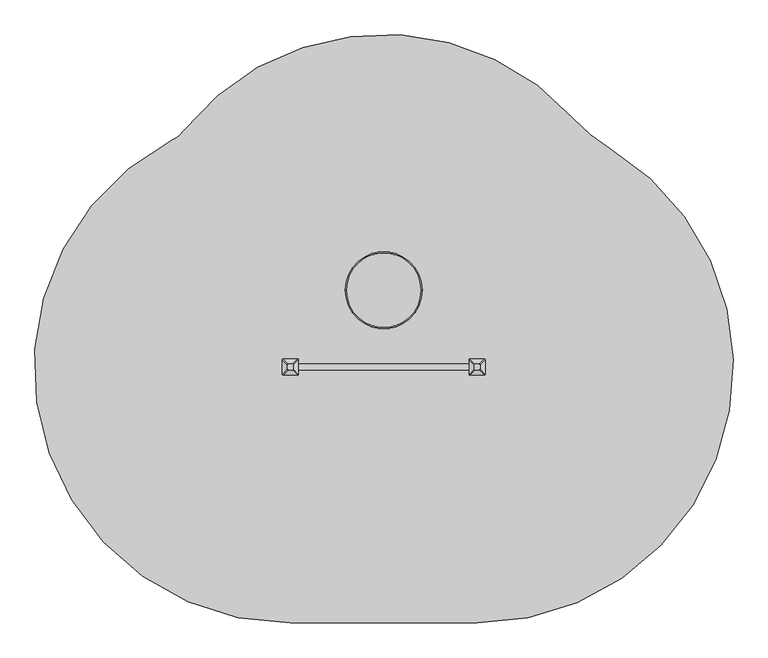
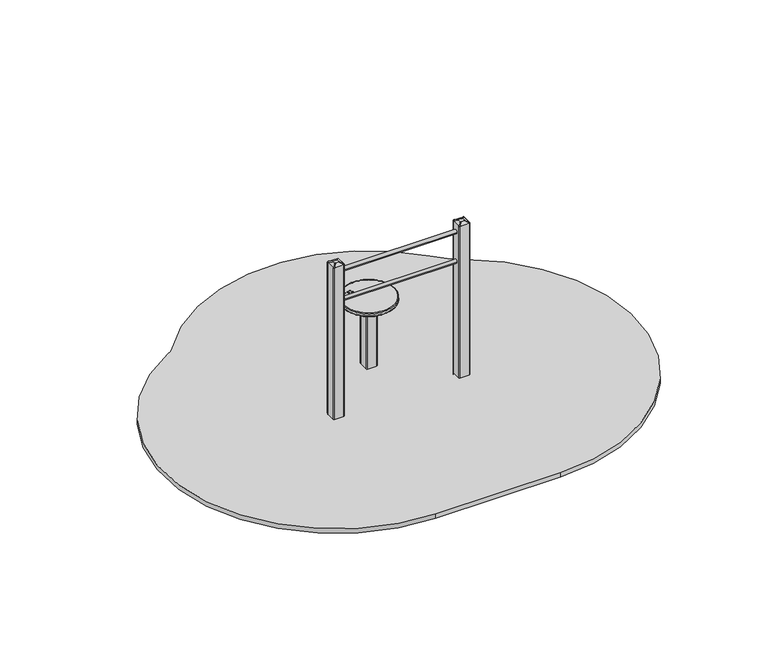
"""IFC4 building model written with IfcOpenShell, lengths in millimetres: furniture geometry."""

from ifc_helpers import new_model, si_unit, point, frame, frame_2d, origin, place, context, project, spatial, polyline, circle_curve, ellipse_curve, trimmed, segment, composite_curve, outline, extrude, source, transform, mapped, element, save
from ifc_brep_helpers import plane_surface, cylinder_surface, revolved_surface, extruded_surface, advanced_brep


def furniture_86e5dbf2(model_context):
    return source(origin(), model_context, "Body", "SolidModel", [
        advanced_brep(
        [(-225.0, 655.0, 624.9971179), (225.0, 655.0, 624.9971179), (225.0, 655.0, 604.9971179), (-225.0, 655.0, 604.9971179), (-220.0, 655.0, 629.9971179), (220.0, 655.0, 629.9971179), (220.0, 655.0, 599.9971179), (-220.0, 655.0, 599.9971179)],
        [
            (0, 1, circle_curve(frame((0.0, 655.0, 624.9971179), z_axis=(0.0, 0.0, -1.0), x_axis=(1.0, 0.0, 0.0)), 225.0)),
            (1, 2),
            (2, 3, circle_curve(frame((0.0, 655.0, 604.9971179), z_axis=(0.0, 0.0, 1.0), x_axis=(1.0, 0.0, 0.0)), 225.0)),
            (3, 0),
            (1, 0, circle_curve(frame((0.0, 655.0, 624.9971179), z_axis=(0.0, 0.0, -1.0), x_axis=(1.0, 0.0, 0.0)), 225.0)),
            (3, 2, circle_curve(frame((0.0, 655.0, 604.9971179), z_axis=(0.0, 0.0, 1.0), x_axis=(1.0, 0.0, 0.0)), 225.0)),
            (0, 4, circle_curve(frame((-220.0, 655.0, 624.9971179), z_axis=(0.0, 1.0, 0.0), x_axis=(1.0, 0.0, 0.0)), 5.0)),
            (4, 5, circle_curve(frame((0.0, 655.0, 629.9971179), z_axis=(0.0, 0.0, -1.0), x_axis=(1.0, 0.0, 0.0)), 220.0)),
            (5, 1, circle_curve(frame((220.0, 655.0, 624.9971179), z_axis=(0.0, 1.0, 0.0), x_axis=(-1.0, 0.0, 0.0)), 5.0)),
            (5, 4, circle_curve(frame((0.0, 655.0, 629.9971179), z_axis=(0.0, 0.0, -1.0), x_axis=(1.0, 0.0, 0.0)), 220.0)),
            (2, 6, circle_curve(frame((220.0, 655.0, 604.9971179), z_axis=(0.0, 1.0, 0.0), x_axis=(-1.0, 0.0, 0.0)), 5.0)),
            (6, 7, circle_curve(frame((0.0, 655.0, 599.9971179), z_axis=(0.0, 0.0, 1.0), x_axis=(1.0, 0.0, 0.0)), 220.0)),
            (7, 3, circle_curve(frame((-220.0, 655.0, 604.9971179), z_axis=(0.0, 1.0, 0.0), x_axis=(1.0, 0.0, 0.0)), 5.0)),
            (7, 6, circle_curve(frame((0.0, 655.0, 599.9971179), z_axis=(0.0, 0.0, 1.0), x_axis=(1.0, 0.0, 0.0)), 220.0)),
        ],
        [
            cylinder_surface(frame((0.0, 655.0, 366.1859757), z_axis=(0.0, 0.0, 1.0), x_axis=(1.0, 0.0, 0.0)), 225.0),
            revolved_surface(trimmed(ellipse_curve(frame((220.0, 655.0, 624.9971179), z_axis=(0.0, -1.0, 0.0), x_axis=(-1.0, 0.0, 0.0)), 5.0, 5.0), [point((225.0, 655.0, 624.9971179))], [point((220.0, 655.0, 629.9971179))], True, "CARTESIAN"), (0.0, 655.0, 366.1859757), (0.0, 0.0, 1.0)),
            revolved_surface(trimmed(ellipse_curve(frame((220.0, 655.0, 604.9971179), z_axis=(0.0, -1.0, 0.0), x_axis=(-1.0, 0.0, 0.0)), 5.0, 5.0), [point((220.0, 655.0, 599.9971179))], [point((225.0, 655.0, 604.9971179))], True, "CARTESIAN"), (0.0, 655.0, 366.1859757), (0.0, 0.0, 1.0)),
            plane_surface(frame((220.0, 655.0, 629.9971179), z_axis=(0.0, 0.0, 1.0), x_axis=(0.0, 1.0, 0.0))),
            plane_surface(frame((220.0, 655.0, 599.9971179), z_axis=(0.0, 0.0, -1.0), x_axis=(0.0, -1.0, 0.0))),
        ],
        [
            (0, [[1, 2, 3, 4]]),
            (0, [[-2, 5, -4, 6]]),
            (1, [[-1, 7, 8, 9]]),
            (1, [[-5, -9, 10, -7]]),
            (2, [[-3, 11, 12, 13]]),
            (2, [[-6, -13, 14, -11]]),
            (3, [[-8, -10]]),
            (4, [[-12, -14]]),
        ],
    ),
        extrude(outline(composite_curve([segment(trimmed(circle_curve(frame_2d((-109.945789, 765.9640076)), 57.5047727), [point((-167.4505617, 765.9640076))], [point((-52.4410163, 765.9640076))], False, "CARTESIAN"), True, "CONTINUOUS"), segment(trimmed(circle_curve(frame_2d((-109.945789, 765.9640076)), 57.5047727), [point((-52.4410163, 765.9640076))], [point((-167.4505617, 765.9640076))], False, "CARTESIAN"), True, "CONTINUOUS")], self_intersect=False), holes=[composite_curve([segment(trimmed(circle_curve(frame_2d((-128.3138267, 780.3419659)), 0.4540453), [point((-127.9437797, 780.6050673))], [point((-128.3138267, 779.8879206))], False, "CARTESIAN"), True, "CONTINUOUS"), segment(polyline([(-128.3138267, 779.8879206), (-144.7091929, 779.8879206)]), True, "CONTINUOUS"), segment(trimmed(circle_curve(frame_2d((-144.7091929, 775.1179024)), 4.7700182), [point((-144.7091929, 779.8879206))], [point((-144.7091929, 770.3478842))], True, "CARTESIAN"), True, "CONTINUOUS"), segment(polyline([(-144.7091929, 770.3478842), (-135.5327662, 770.3478842)]), True, "CONTINUOUS"), segment(trimmed(circle_curve(frame_2d((-135.5327662, 766.6555765)), 3.6923077), [point((-135.5327662, 770.3478842))], [point((-132.0631319, 765.3927329))], False, "CARTESIAN"), True, "CONTINUOUS"), segment(polyline([(-132.0631319, 765.3927329), (-139.1805561, 745.8377707)]), True, "CONTINUOUS"), segment(trimmed(circle_curve(frame_2d((-133.5869898, 746.2870818)), 5.611583), [point((-139.1805561, 745.8377707))], [point((-128.3138267, 744.3678074))], True, "CARTESIAN"), True, "CONTINUOUS"), segment(polyline([(-128.3138267, 744.3678074), (-125.0241589, 753.4060953)]), True, "CONTINUOUS"), segment(trimmed(circle_curve(frame_2d((-122.7753651, 752.5876013)), 2.3931164), [point((-125.0241589, 753.4060953))], [point((-120.5265713, 753.4060953))], False, "CARTESIAN"), True, "CONTINUOUS"), segment(polyline([(-120.5265713, 753.4060953), (-117.2369036, 744.3678074)]), True, "CONTINUOUS"), segment(trimmed(circle_curve(frame_2d((-111.9637405, 746.2870818)), 5.611583), [point((-117.2369036, 744.3678074))], [point((-106.3701742, 745.8377707))], True, "CARTESIAN"), True, "CONTINUOUS"), segment(polyline([(-106.3701742, 745.8377707), (-113.4875984, 765.3927329)]), True, "CONTINUOUS"), segment(trimmed(circle_curve(frame_2d((-110.0179641, 766.6555765)), 3.6923077), [point((-113.4875984, 765.3927329))], [point((-110.0179641, 770.3478842))], False, "CARTESIAN"), True, "CONTINUOUS"), segment(polyline([(-110.0179641, 770.3478842), (-100.8415374, 770.3478842)]), True, "CONTINUOUS"), segment(trimmed(circle_curve(frame_2d((-95.1870348, 777.807878)), 9.3608176), [point((-100.8415374, 770.3478842))], [point((-104.3138267, 779.8879206))], False, "CARTESIAN"), True, "CONTINUOUS"), segment(polyline([(-104.3138267, 779.8879206), (-117.2369036, 779.8879206)]), True, "CONTINUOUS"), segment(trimmed(circle_curve(frame_2d((-117.2369036, 780.5008204)), 0.6128997), [point((-117.2369036, 779.8879206))], [point((-117.7684156, 780.8060107))], False, "CARTESIAN"), True, "CONTINUOUS"), segment(trimmed(circle_curve(frame_2d((-123.0503583, 790.5425042)), 11.0769231), [point((-117.7684156, 780.8060107))], [point((-127.9437797, 780.6050673))], True, "CARTESIAN"), True, "CONTINUOUS")], self_intersect=False), composite_curve([segment(trimmed(circle_curve(frame_2d((-96.6356807, 770.6730779)), 1.0108717), [point((-95.8884051, 771.3538427))], [point((-96.5143941, 769.6695087))], False, "CARTESIAN"), True, "CONTINUOUS"), segment(polyline([(-96.5143941, 769.6695087), (-109.1313316, 769.6695087)]), True, "CONTINUOUS"), segment(trimmed(circle_curve(frame_2d((-106.4880266, 765.054124)), 5.318725), [point((-109.1313316, 769.6695087))], [point((-109.1313316, 760.4387394))], True, "CARTESIAN"), True, "CONTINUOUS"), segment(polyline([(-109.1313316, 760.4387394), (-98.0544085, 760.4387394), (-106.2628919, 737.8861165)]), True, "CONTINUOUS"), segment(trimmed(circle_curve(frame_2d((-93.9418916, 757.6601945)), 23.2985238), [point((-106.2628919, 737.8861165))], [point((-90.6697931, 734.5925856))], True, "CARTESIAN"), True, "CONTINUOUS"), segment(trimmed(circle_curve(frame_2d((-87.3976946, 757.6601945)), 23.2985238), [point((-90.6697931, 734.5925856))], [point((-75.0766943, 737.8861165))], True, "CARTESIAN"), True, "CONTINUOUS"), segment(polyline([(-75.0766943, 737.8861165), (-83.2851777, 760.4387394), (-72.2082546, 760.4387394)]), True, "CONTINUOUS"), segment(trimmed(circle_curve(frame_2d((-74.8515595, 765.054124)), 5.318725), [point((-72.2082546, 760.4387394))], [point((-72.2082546, 769.6695087))], True, "CARTESIAN"), True, "CONTINUOUS"), segment(polyline([(-72.2082546, 769.6695087), (-86.7183206, 769.6695087)]), True, "CONTINUOUS"), segment(trimmed(circle_curve(frame_2d((-86.2247816, 770.2877508)), 0.7910778), [point((-86.7183206, 769.6695087))], [point((-86.7183206, 770.9059929))], False, "CARTESIAN"), True, "CONTINUOUS"), segment(trimmed(circle_curve(frame_2d((-90.8116144, 781.1988628)), 11.0769231), [point((-86.7183206, 770.9059929))], [point((-95.8884051, 771.3538427))], True, "CARTESIAN"), True, "CONTINUOUS")], self_intersect=False)]), frame((0.0, 0.0, 628.9971179), z_axis=(0.0, 0.0, 1.0), x_axis=(1.0, 0.0, 0.0)), (0.0, 0.0, 1.0), 1.0),
        extrude(outline(composite_curve([segment(trimmed(circle_curve(frame_2d((42.5, 612.5)), 5.0), [point((47.5, 612.5))], [point((42.5, 607.5))], False, "CARTESIAN"), True, "CONTINUOUS"), segment(polyline([(42.5, 607.5), (-42.5, 607.5)]), True, "CONTINUOUS"), segment(trimmed(circle_curve(frame_2d((-42.5, 612.5)), 5.0), [point((-42.5, 607.5))], [point((-47.5, 612.5))], False, "CARTESIAN"), True, "CONTINUOUS"), segment(polyline([(-47.5, 612.5), (-47.5, 697.5)]), True, "CONTINUOUS"), segment(trimmed(circle_curve(frame_2d((-42.5, 697.5)), 5.0), [point((-47.5, 697.5))], [point((-42.5, 702.5))], False, "CARTESIAN"), True, "CONTINUOUS"), segment(polyline([(-42.5, 702.5), (42.5, 702.5)]), True, "CONTINUOUS"), segment(trimmed(circle_curve(frame_2d((42.5, 697.5)), 5.0), [point((42.5, 702.5))], [point((47.5, 697.5))], False, "CARTESIAN"), True, "CONTINUOUS"), segment(polyline([(47.5, 697.5), (47.5, 612.5)]), True, "CONTINUOUS")], self_intersect=False)), frame((0.0, 0.0, -600.0), z_axis=(0.0, 0.0, 1.0), x_axis=(1.0, 0.0, 0.0)), (0.0, 0.0, 1.0), 500.0),
        advanced_brep(
        [(90.0, 805.0, -600.0), (150.0, 745.0, -600.0), (150.0, 565.0, -600.0), (90.0, 505.0, -600.0), (-90.0, 505.0, -600.0), (-150.0, 565.0, -600.0), (-150.0, 745.0, -600.0), (-90.0, 805.0, -600.0), (-90.0, 805.0, -460.0), (90.0, 805.0, -460.0), (-150.0, 565.0, -460.0), (-150.0, 745.0, -460.0), (90.0, 505.0, -460.0), (-90.0, 505.0, -460.0), (150.0, 745.0, -460.0), (150.0, 565.0, -460.0), (-12.2959549, 727.6989403, -250.0), (-72.2959549, 667.6989403, -250.0), (-72.2959549, 642.3010597, -250.0), (-12.2959549, 582.3010597, -250.0), (12.2959549, 582.3010597, -250.0), (72.2959549, 642.3010597, -250.0), (72.2959549, 667.6989403, -250.0), (12.2959549, 727.6989403, -250.0)],
        [
            (0, 1, circle_curve(frame((90.0, 745.0, -600.0), z_axis=(0.0, 0.0, -1.0), x_axis=(1.0, 0.0, 0.0)), 60.0)),
            (1, 2),
            (2, 3, circle_curve(frame((90.0, 565.0, -600.0), z_axis=(0.0, 0.0, -1.0), x_axis=(1.0, 0.0, 0.0)), 60.0)),
            (3, 4),
            (4, 5, circle_curve(frame((-90.0, 565.0, -600.0), z_axis=(0.0, 0.0, -1.0), x_axis=(1.0, 0.0, 0.0)), 60.0)),
            (5, 6),
            (6, 7, circle_curve(frame((-90.0, 745.0, -600.0), z_axis=(0.0, 0.0, -1.0), x_axis=(1.0, 0.0, 0.0)), 60.0)),
            (7, 0),
            (7, 8),
            (8, 9),
            (9, 0),
            (5, 10),
            (10, 11),
            (11, 6),
            (3, 12),
            (12, 13),
            (13, 4),
            (1, 14),
            (14, 15),
            (15, 2),
            (16, 17, circle_curve(frame((-12.2959549, 667.6989403, -250.0), z_axis=(0.0, 0.0, 1.0), x_axis=(1.0, 0.0, 0.0)), 60.0)),
            (17, 18),
            (18, 19, circle_curve(frame((-12.2959549, 642.3010597, -250.0), z_axis=(0.0, 0.0, 1.0), x_axis=(1.0, 0.0, 0.0)), 60.0)),
            (19, 20),
            (20, 21, circle_curve(frame((12.2959549, 642.3010597, -250.0), z_axis=(0.0, 0.0, 1.0), x_axis=(1.0, 0.0, 0.0)), 60.0)),
            (21, 22),
            (22, 23, circle_curve(frame((12.2959549, 667.6989403, -250.0), z_axis=(0.0, 0.0, 1.0), x_axis=(1.0, 0.0, 0.0)), 60.0)),
            (23, 16),
            (17, 11),
            (10, 18),
            (19, 13),
            (12, 20),
            (21, 15),
            (14, 22),
            (23, 9),
            (8, 16),
            (11, 8, circle_curve(frame((-90.0, 745.0, -460.0), z_axis=(0.0, 0.0, -1.0), x_axis=(1.0, 0.0, 0.0)), 60.0)),
            (13, 10, circle_curve(frame((-90.0, 565.0, -460.0), z_axis=(0.0, 0.0, -1.0), x_axis=(1.0, 0.0, 0.0)), 60.0)),
            (15, 12, circle_curve(frame((90.0, 565.0, -460.0), z_axis=(0.0, 0.0, -1.0), x_axis=(1.0, 0.0, 0.0)), 60.0)),
            (9, 14, circle_curve(frame((90.0, 745.0, -460.0), z_axis=(0.0, 0.0, -1.0), x_axis=(1.0, 0.0, 0.0)), 60.0)),
        ],
        [
            plane_surface(frame((-176.6329682, 805.0, -600.0), z_axis=(0.0, 0.0, -1.0), x_axis=(1.0, 0.0, 0.0))),
            plane_surface(frame((90.0, 805.0, -460.0), z_axis=(0.0, 1.0, 0.0), x_axis=(0.0, 0.0, -1.0))),
            plane_surface(frame((-150.0, 745.0, -460.0), z_axis=(-1.0, 0.0, 0.0), x_axis=(0.0, 0.0, -1.0))),
            plane_surface(frame((-90.0, 505.0, -460.0), z_axis=(0.0, -1.0, 0.0), x_axis=(0.0, 0.0, -1.0))),
            plane_surface(frame((150.0, 565.0, -460.0), z_axis=(1.0, 0.0, 0.0), x_axis=(0.0, 0.0, -1.0))),
            plane_surface(frame((0.0, 655.0, -250.0), z_axis=(0.0, 0.0, 1.0), x_axis=(-1.0, 0.0, 0.0))),
            plane_surface(frame((-150.0, 655.0, -460.0), z_axis=(-0.9378559633153523, 0.0, 0.3470247715564883), x_axis=(0.0, -1.0, 0.0))),
            plane_surface(frame((0.0, 505.0, -460.0), z_axis=(0.0, -0.9384407279810882, 0.3454402988452927), x_axis=(1.0, 0.0, 0.0))),
            plane_surface(frame((150.0, 655.0, -460.0), z_axis=(0.9378559633153524, 0.0, 0.34702477155648764), x_axis=(0.0, 1.0, 0.0))),
            plane_surface(frame((0.0, 805.0, -460.0), z_axis=(0.0, 0.9384407279810884, 0.3454402988452924), x_axis=(-1.0, 0.0, 0.0))),
            cylinder_surface(frame((-90.0, 745.0, -600.0), z_axis=(0.0, 0.0, 1.0), x_axis=(1.0, 0.0, 0.0)), 60.0),
            cylinder_surface(frame((-90.0, 565.0, -600.0), z_axis=(0.0, 0.0, 1.0), x_axis=(1.0, 0.0, 0.0)), 60.0),
            cylinder_surface(frame((90.0, 565.0, -600.0), z_axis=(0.0, 0.0, 1.0), x_axis=(1.0, 0.0, 0.0)), 60.0),
            cylinder_surface(frame((90.0, 745.0, -600.0), z_axis=(0.0, 0.0, 1.0), x_axis=(1.0, 0.0, 0.0)), 60.0),
            extruded_surface(trimmed(circle_curve(frame((-90.0, 745.0, -460.0), z_axis=(0.0, 0.0, 1.0), x_axis=(1.0, 0.0, 0.0)), 60.0), [point((-90.0, 805.0, -460.0))], [point((-150.0, 745.0, -460.0))], True, "CARTESIAN"), (77.7040451, -77.3010597, 210.0), 236.8826132404947),
            extruded_surface(trimmed(circle_curve(frame((90.0, 745.0, -460.0), z_axis=(0.0, 0.0, 1.0), x_axis=(1.0, 0.0, 0.0)), 60.0), [point((150.0, 745.0, -460.0))], [point((90.0, 805.0, -460.0))], True, "CARTESIAN"), (-77.7040451, -77.3010597, 210.0), 236.8826132404947),
            extruded_surface(trimmed(circle_curve(frame((-90.0, 565.0, -460.0), z_axis=(0.0, 0.0, 1.0), x_axis=(1.0, 0.0, 0.0)), 60.0), [point((-150.0, 565.0, -460.0))], [point((-90.0, 505.0, -460.0))], True, "CARTESIAN"), (77.7040451, 77.3010597, 210.0), 236.8826132404947),
            extruded_surface(trimmed(circle_curve(frame((90.0, 565.0, -460.0), z_axis=(0.0, 0.0, 1.0), x_axis=(1.0, 0.0, 0.0)), 60.0), [point((90.0, 505.0, -460.0))], [point((150.0, 565.0, -460.0))], True, "CARTESIAN"), (-77.7040451, 77.3010597, 210.0), 236.8826132404947),
        ],
        [
            (0, [[1, 2, 3, 4, 5, 6, 7, 8]]),
            (1, [[-8, 9, 10, 11]]),
            (2, [[-6, 12, 13, 14]]),
            (3, [[-4, 15, 16, 17]]),
            (4, [[-2, 18, 19, 20]]),
            (5, [[21, 22, 23, 24, 25, 26, 27, 28]]),
            (6, [[-22, 29, -13, 30]]),
            (7, [[-24, 31, -16, 32]]),
            (8, [[-26, 33, -19, 34]]),
            (9, [[-28, 35, -10, 36]]),
            (10, [[-7, -14, 37, -9]]),
            (11, [[-5, -17, 38, -12]]),
            (12, [[-3, -20, 39, -15]]),
            (13, [[-1, -11, 40, -18]]),
            (14, [[-21, -36, -37, -29]]),
            (15, [[-27, -34, -40, -35]]),
            (16, [[-23, -30, -38, -31]]),
            (17, [[-25, -32, -39, -33]]),
        ],
    ),
        advanced_brep(
        [(564.5, 192.5, 1415.0), (564.5, 217.5, 1415.0), (559.5, 222.5, 1415.0), (534.5, 222.5, 1415.0), (529.5, 217.5, 1415.0), (529.5, 192.5, 1415.0), (534.5, 187.5, 1415.0), (559.5, 187.5, 1415.0), (594.5, 162.5, 1400.0), (589.5, 157.5, 1400.0), (504.5, 157.5, 1400.0), (499.5, 162.5, 1400.0), (499.5, 247.5, 1400.0), (504.5, 252.5, 1400.0), (589.5, 252.5, 1400.0), (594.5, 247.5, 1400.0)],
        [
            (0, 1),
            (1, 2, circle_curve(frame((559.5, 217.5, 1415.0), z_axis=(0.0, 0.0, 1.0), x_axis=(1.0, 0.0, 0.0)), 5.0)),
            (2, 3),
            (3, 4, circle_curve(frame((534.5, 217.5, 1415.0), z_axis=(0.0, 0.0, 1.0), x_axis=(1.0, 0.0, 0.0)), 5.0)),
            (4, 5),
            (5, 6, circle_curve(frame((534.5, 192.5, 1415.0), z_axis=(0.0, 0.0, 1.0), x_axis=(1.0, 0.0, 0.0)), 5.0)),
            (6, 7),
            (7, 0, circle_curve(frame((559.5, 192.5, 1415.0), z_axis=(0.0, 0.0, 1.0), x_axis=(1.0, 0.0, 0.0)), 5.0)),
            (8, 9, circle_curve(frame((589.5, 162.5, 1400.0), z_axis=(0.0, 0.0, -1.0), x_axis=(1.0, 0.0, 0.0)), 5.0)),
            (9, 10),
            (10, 11, circle_curve(frame((504.5, 162.5, 1400.0), z_axis=(0.0, 0.0, -1.0), x_axis=(1.0, 0.0, 0.0)), 5.0)),
            (11, 12),
            (12, 13, circle_curve(frame((504.5, 247.5, 1400.0), z_axis=(0.0, 0.0, -1.0), x_axis=(1.0, 0.0, 0.0)), 5.0)),
            (13, 14),
            (14, 15, circle_curve(frame((589.5, 247.5, 1400.0), z_axis=(0.0, 0.0, -1.0), x_axis=(1.0, 0.0, 0.0)), 5.0)),
            (15, 8),
            (15, 1),
            (0, 8),
            (14, 2),
            (13, 3),
            (12, 4),
            (11, 5),
            (10, 6),
            (9, 7),
        ],
        [
            plane_surface(frame((547.0, 205.0, 1415.0), z_axis=(0.0, 0.0, 1.0), x_axis=(-1.0, 0.0, 0.0))),
            plane_surface(frame((547.0, 205.0, 1400.0), z_axis=(0.0, 0.0, -1.0), x_axis=(-1.0, 0.0, 0.0))),
            plane_surface(frame((594.5, 205.0, 1400.0), z_axis=(0.447213595499958, 0.0, 0.894427190999916), x_axis=(0.0, 1.0, 0.0))),
            extruded_surface(trimmed(circle_curve(frame((589.5, 247.5, 1400.0), z_axis=(0.0, 0.0, 1.0), x_axis=(1.0, 0.0, 0.0)), 5.0), [point((594.5, 247.5, 1400.0))], [point((589.5, 252.5, 1400.0))], True, "CARTESIAN"), (-30.0, -30.0, 15.0), 45.0),
            plane_surface(frame((547.0, 252.5, 1400.0), z_axis=(0.0, 0.447213595499958, 0.894427190999916), x_axis=(-1.0, 0.0, 0.0))),
            extruded_surface(trimmed(circle_curve(frame((504.5, 247.5, 1400.0), z_axis=(0.0, 0.0, 1.0), x_axis=(1.0, 0.0, 0.0)), 5.0), [point((504.5, 252.5, 1400.0))], [point((499.5, 247.5, 1400.0))], True, "CARTESIAN"), (30.0, -30.0, 15.0), 45.0),
            plane_surface(frame((499.5, 205.0, 1400.0), z_axis=(-0.447213595499958, 0.0, 0.894427190999916), x_axis=(0.0, -1.0, 0.0))),
            extruded_surface(trimmed(circle_curve(frame((504.5, 162.5, 1400.0), z_axis=(0.0, 0.0, 1.0), x_axis=(1.0, 0.0, 0.0)), 5.0), [point((499.5, 162.5, 1400.0))], [point((504.5, 157.5, 1400.0))], True, "CARTESIAN"), (30.0, 30.0, 15.0), 45.0),
            plane_surface(frame((547.0, 157.5, 1400.0), z_axis=(0.0, -0.447213595499958, 0.894427190999916), x_axis=(1.0, 0.0, 0.0))),
            extruded_surface(trimmed(circle_curve(frame((589.5, 162.5, 1400.0), z_axis=(0.0, 0.0, 1.0), x_axis=(1.0, 0.0, 0.0)), 5.0), [point((589.5, 157.5, 1400.0))], [point((594.5, 162.5, 1400.0))], True, "CARTESIAN"), (-30.0, 30.0, 15.0), 45.0),
        ],
        [
            (0, [[1, 2, 3, 4, 5, 6, 7, 8]]),
            (1, [[9, 10, 11, 12, 13, 14, 15, 16]]),
            (2, [[-16, 17, -1, 18]]),
            (3, [[-15, 19, -2, -17]]),
            (4, [[-14, 20, -3, -19]]),
            (5, [[-13, 21, -4, -20]]),
            (6, [[-12, 22, -5, -21]]),
            (7, [[-11, 23, -6, -22]]),
            (8, [[-10, 24, -7, -23]]),
            (9, [[-9, -18, -8, -24]]),
        ],
    ),
        advanced_brep(
        [(-529.5, 192.5, 1415.0), (-529.5, 217.5, 1415.0), (-534.5, 222.5, 1415.0), (-559.5, 222.5, 1415.0), (-564.5, 217.5, 1415.0), (-564.5, 192.5, 1415.0), (-559.5, 187.5, 1415.0), (-534.5, 187.5, 1415.0), (-499.5, 162.5, 1400.0), (-504.5, 157.5, 1400.0), (-589.5, 157.5, 1400.0), (-594.5, 162.5, 1400.0), (-594.5, 247.5, 1400.0), (-589.5, 252.5, 1400.0), (-504.5, 252.5, 1400.0), (-499.5, 247.5, 1400.0)],
        [
            (0, 1),
            (1, 2, circle_curve(frame((-534.5, 217.5, 1415.0), z_axis=(0.0, 0.0, 1.0), x_axis=(1.0, 0.0, 0.0)), 5.0)),
            (2, 3),
            (3, 4, circle_curve(frame((-559.5, 217.5, 1415.0), z_axis=(0.0, 0.0, 1.0), x_axis=(1.0, 0.0, 0.0)), 5.0)),
            (4, 5),
            (5, 6, circle_curve(frame((-559.5, 192.5, 1415.0), z_axis=(0.0, 0.0, 1.0), x_axis=(1.0, 0.0, 0.0)), 5.0)),
            (6, 7),
            (7, 0, circle_curve(frame((-534.5, 192.5, 1415.0), z_axis=(0.0, 0.0, 1.0), x_axis=(1.0, 0.0, 0.0)), 5.0)),
            (8, 9, circle_curve(frame((-504.5, 162.5, 1400.0), z_axis=(0.0, 0.0, -1.0), x_axis=(1.0, 0.0, 0.0)), 5.0)),
            (9, 10),
            (10, 11, circle_curve(frame((-589.5, 162.5, 1400.0), z_axis=(0.0, 0.0, -1.0), x_axis=(1.0, 0.0, 0.0)), 5.0)),
            (11, 12),
            (12, 13, circle_curve(frame((-589.5, 247.5, 1400.0), z_axis=(0.0, 0.0, -1.0), x_axis=(1.0, 0.0, 0.0)), 5.0)),
            (13, 14),
            (14, 15, circle_curve(frame((-504.5, 247.5, 1400.0), z_axis=(0.0, 0.0, -1.0), x_axis=(1.0, 0.0, 0.0)), 5.0)),
            (15, 8),
            (15, 1),
            (0, 8),
            (14, 2),
            (13, 3),
            (12, 4),
            (11, 5),
            (10, 6),
            (9, 7),
        ],
        [
            plane_surface(frame((-547.0, 205.0, 1415.0), z_axis=(0.0, 0.0, 1.0), x_axis=(-1.0, 0.0, 0.0))),
            plane_surface(frame((-547.0, 205.0, 1400.0), z_axis=(0.0, 0.0, -1.0), x_axis=(-1.0, 0.0, 0.0))),
            plane_surface(frame((-499.5, 205.0, 1400.0), z_axis=(0.447213595499958, 0.0, 0.894427190999916), x_axis=(0.0, 1.0, 0.0))),
            extruded_surface(trimmed(circle_curve(frame((-504.5, 247.5, 1400.0), z_axis=(0.0, 0.0, 1.0), x_axis=(1.0, 0.0, 0.0)), 5.0), [point((-499.5, 247.5, 1400.0))], [point((-504.5, 252.5, 1400.0))], True, "CARTESIAN"), (-30.0, -30.0, 15.0), 45.0),
            plane_surface(frame((-547.0, 252.5, 1400.0), z_axis=(0.0, 0.447213595499958, 0.894427190999916), x_axis=(-1.0, 0.0, 0.0))),
            extruded_surface(trimmed(circle_curve(frame((-589.5, 247.5, 1400.0), z_axis=(0.0, 0.0, 1.0), x_axis=(1.0, 0.0, 0.0)), 5.0), [point((-589.5, 252.5, 1400.0))], [point((-594.5, 247.5, 1400.0))], True, "CARTESIAN"), (30.0, -30.0, 15.0), 45.0),
            plane_surface(frame((-594.5, 205.0, 1400.0), z_axis=(-0.447213595499958, 0.0, 0.894427190999916), x_axis=(0.0, -1.0, 0.0))),
            extruded_surface(trimmed(circle_curve(frame((-589.5, 162.5, 1400.0), z_axis=(0.0, 0.0, 1.0), x_axis=(1.0, 0.0, 0.0)), 5.0), [point((-594.5, 162.5, 1400.0))], [point((-589.5, 157.5, 1400.0))], True, "CARTESIAN"), (30.0, 30.0, 15.0), 45.0),
            plane_surface(frame((-547.0, 157.5, 1400.0), z_axis=(0.0, -0.447213595499958, 0.894427190999916), x_axis=(1.0, 0.0, 0.0))),
            extruded_surface(trimmed(circle_curve(frame((-504.5, 162.5, 1400.0), z_axis=(0.0, 0.0, 1.0), x_axis=(1.0, 0.0, 0.0)), 5.0), [point((-504.5, 157.5, 1400.0))], [point((-499.5, 162.5, 1400.0))], True, "CARTESIAN"), (-30.0, 30.0, 15.0), 45.0),
        ],
        [
            (0, [[1, 2, 3, 4, 5, 6, 7, 8]]),
            (1, [[9, 10, 11, 12, 13, 14, 15, 16]]),
            (2, [[-16, 17, -1, 18]]),
            (3, [[-15, 19, -2, -17]]),
            (4, [[-14, 20, -3, -19]]),
            (5, [[-13, 21, -4, -20]]),
            (6, [[-12, 22, -5, -21]]),
            (7, [[-11, 23, -6, -22]]),
            (8, [[-10, 24, -7, -23]]),
            (9, [[-9, -18, -8, -24]]),
        ],
    ),
        extrude(outline(composite_curve([segment(trimmed(circle_curve(frame_2d((589.5, 162.5)), 5.0), [point((594.5, 162.5))], [point((589.5, 157.5))], False, "CARTESIAN"), True, "CONTINUOUS"), segment(polyline([(589.5, 157.5), (504.5, 157.5)]), True, "CONTINUOUS"), segment(trimmed(circle_curve(frame_2d((504.5, 162.5)), 5.0), [point((504.5, 157.5))], [point((499.5, 162.5))], False, "CARTESIAN"), True, "CONTINUOUS"), segment(polyline([(499.5, 162.5), (499.5, 247.5)]), True, "CONTINUOUS"), segment(trimmed(circle_curve(frame_2d((504.5, 247.5)), 5.0), [point((499.5, 247.5))], [point((504.5, 252.5))], False, "CARTESIAN"), True, "CONTINUOUS"), segment(polyline([(504.5, 252.5), (589.5, 252.5)]), True, "CONTINUOUS"), segment(trimmed(circle_curve(frame_2d((589.5, 247.5)), 5.0), [point((589.5, 252.5))], [point((594.5, 247.5))], False, "CARTESIAN"), True, "CONTINUOUS"), segment(polyline([(594.5, 247.5), (594.5, 162.5)]), True, "CONTINUOUS")], self_intersect=False)), frame((0.0, 0.0, -600.0), z_axis=(0.0, 0.0, 1.0), x_axis=(1.0, 0.0, 0.0)), (0.0, 0.0, 1.0), 500.0),
        advanced_brep(
        [(637.0, 355.0, -600.0), (697.0, 295.0, -600.0), (697.0, 115.0, -600.0), (637.0, 55.0, -600.0), (457.0, 55.0, -600.0), (397.0, 115.0, -600.0), (397.0, 295.0, -600.0), (457.0, 355.0, -600.0), (457.0, 355.0, -460.0), (637.0, 355.0, -460.0), (397.0, 115.0, -460.0), (397.0, 295.0, -460.0), (637.0, 55.0, -460.0), (457.0, 55.0, -460.0), (697.0, 295.0, -460.0), (697.0, 115.0, -460.0), (534.7040451, 277.6989403, -250.0), (474.7040451, 217.6989403, -250.0), (474.7040451, 192.3010597, -250.0), (534.7040451, 132.3010597, -250.0), (559.2959549, 132.3010597, -250.0), (619.2959549, 192.3010597, -250.0), (619.2959549, 217.6989403, -250.0), (559.2959549, 277.6989403, -250.0)],
        [
            (0, 1, circle_curve(frame((637.0, 295.0, -600.0), z_axis=(0.0, 0.0, -1.0), x_axis=(1.0, 0.0, 0.0)), 60.0)),
            (1, 2),
            (2, 3, circle_curve(frame((637.0, 115.0, -600.0), z_axis=(0.0, 0.0, -1.0), x_axis=(1.0, 0.0, 0.0)), 60.0)),
            (3, 4),
            (4, 5, circle_curve(frame((457.0, 115.0, -600.0), z_axis=(0.0, 0.0, -1.0), x_axis=(1.0, 0.0, 0.0)), 60.0)),
            (5, 6),
            (6, 7, circle_curve(frame((457.0, 295.0, -600.0), z_axis=(0.0, 0.0, -1.0), x_axis=(1.0, 0.0, 0.0)), 60.0)),
            (7, 0),
            (7, 8),
            (8, 9),
            (9, 0),
            (5, 10),
            (10, 11),
            (11, 6),
            (3, 12),
            (12, 13),
            (13, 4),
            (1, 14),
            (14, 15),
            (15, 2),
            (16, 17, circle_curve(frame((534.7040451, 217.6989403, -250.0), z_axis=(0.0, 0.0, 1.0), x_axis=(1.0, 0.0, 0.0)), 60.0)),
            (17, 18),
            (18, 19, circle_curve(frame((534.7040451, 192.3010597, -250.0), z_axis=(0.0, 0.0, 1.0), x_axis=(1.0, 0.0, 0.0)), 60.0)),
            (19, 20),
            (20, 21, circle_curve(frame((559.2959549, 192.3010597, -250.0), z_axis=(0.0, 0.0, 1.0), x_axis=(1.0, 0.0, 0.0)), 60.0)),
            (21, 22),
            (22, 23, circle_curve(frame((559.2959549, 217.6989403, -250.0), z_axis=(0.0, 0.0, 1.0), x_axis=(1.0, 0.0, 0.0)), 60.0)),
            (23, 16),
            (17, 11),
            (10, 18),
            (19, 13),
            (12, 20),
            (21, 15),
            (14, 22),
            (23, 9),
            (8, 16),
            (11, 8, circle_curve(frame((457.0, 295.0, -460.0), z_axis=(0.0, 0.0, -1.0), x_axis=(1.0, 0.0, 0.0)), 60.0)),
            (13, 10, circle_curve(frame((457.0, 115.0, -460.0), z_axis=(0.0, 0.0, -1.0), x_axis=(1.0, 0.0, 0.0)), 60.0)),
            (15, 12, circle_curve(frame((637.0, 115.0, -460.0), z_axis=(0.0, 0.0, -1.0), x_axis=(1.0, 0.0, 0.0)), 60.0)),
            (9, 14, circle_curve(frame((637.0, 295.0, -460.0), z_axis=(0.0, 0.0, -1.0), x_axis=(1.0, 0.0, 0.0)), 60.0)),
        ],
        [
            plane_surface(frame((370.3670318, 355.0, -600.0), z_axis=(0.0, 0.0, -1.0), x_axis=(1.0, 0.0, 0.0))),
            plane_surface(frame((637.0, 355.0, -460.0), z_axis=(0.0, 1.0, 0.0), x_axis=(0.0, 0.0, -1.0))),
            plane_surface(frame((397.0, 295.0, -460.0), z_axis=(-1.0, 0.0, 0.0), x_axis=(0.0, 0.0, -1.0))),
            plane_surface(frame((457.0, 55.0, -460.0), z_axis=(0.0, -1.0, 0.0), x_axis=(0.0, 0.0, -1.0))),
            plane_surface(frame((697.0, 115.0, -460.0), z_axis=(1.0, 0.0, 0.0), x_axis=(0.0, 0.0, -1.0))),
            plane_surface(frame((547.0, 205.0, -250.0), z_axis=(0.0, 0.0, 1.0), x_axis=(-1.0, 0.0, 0.0))),
            plane_surface(frame((397.0, 205.0, -460.0), z_axis=(-0.9378559633153523, 0.0, 0.3470247715564883), x_axis=(0.0, -1.0, 0.0))),
            plane_surface(frame((547.0, 55.0, -460.0), z_axis=(0.0, -0.9384407279810882, 0.3454402988452927), x_axis=(1.0, 0.0, 0.0))),
            plane_surface(frame((697.0, 205.0, -460.0), z_axis=(0.9378559633153524, 0.0, 0.34702477155648764), x_axis=(0.0, 1.0, 0.0))),
            plane_surface(frame((547.0, 355.0, -460.0), z_axis=(0.0, 0.9384407279810884, 0.3454402988452924), x_axis=(-1.0, 0.0, 0.0))),
            cylinder_surface(frame((457.0, 295.0, -600.0), z_axis=(0.0, 0.0, 1.0), x_axis=(1.0, 0.0, 0.0)), 60.0),
            cylinder_surface(frame((457.0, 115.0, -600.0), z_axis=(0.0, 0.0, 1.0), x_axis=(1.0, 0.0, 0.0)), 60.0),
            cylinder_surface(frame((637.0, 115.0, -600.0), z_axis=(0.0, 0.0, 1.0), x_axis=(1.0, 0.0, 0.0)), 60.0),
            cylinder_surface(frame((637.0, 295.0, -600.0), z_axis=(0.0, 0.0, 1.0), x_axis=(1.0, 0.0, 0.0)), 60.0),
            extruded_surface(trimmed(circle_curve(frame((457.0, 295.0, -460.0), z_axis=(0.0, 0.0, 1.0), x_axis=(1.0, 0.0, 0.0)), 60.0), [point((457.0, 355.0, -460.0))], [point((397.0, 295.0, -460.0))], True, "CARTESIAN"), (77.70404510000003, -77.3010597, 210.0), 236.88261324049472),
            extruded_surface(trimmed(circle_curve(frame((637.0, 295.0, -460.0), z_axis=(0.0, 0.0, 1.0), x_axis=(1.0, 0.0, 0.0)), 60.0), [point((697.0, 295.0, -460.0))], [point((637.0, 355.0, -460.0))], True, "CARTESIAN"), (-77.70404510000003, -77.3010597, 210.0), 236.88261324049472),
            extruded_surface(trimmed(circle_curve(frame((457.0, 115.0, -460.0), z_axis=(0.0, 0.0, 1.0), x_axis=(1.0, 0.0, 0.0)), 60.0), [point((397.0, 115.0, -460.0))], [point((457.0, 55.0, -460.0))], True, "CARTESIAN"), (77.70404510000003, 77.3010597, 210.0), 236.88261324049472),
            extruded_surface(trimmed(circle_curve(frame((637.0, 115.0, -460.0), z_axis=(0.0, 0.0, 1.0), x_axis=(1.0, 0.0, 0.0)), 60.0), [point((637.0, 55.0, -460.0))], [point((697.0, 115.0, -460.0))], True, "CARTESIAN"), (-77.70404510000003, 77.3010597, 210.0), 236.88261324049472),
        ],
        [
            (0, [[1, 2, 3, 4, 5, 6, 7, 8]]),
            (1, [[-8, 9, 10, 11]]),
            (2, [[-6, 12, 13, 14]]),
            (3, [[-4, 15, 16, 17]]),
            (4, [[-2, 18, 19, 20]]),
            (5, [[21, 22, 23, 24, 25, 26, 27, 28]]),
            (6, [[-22, 29, -13, 30]]),
            (7, [[-24, 31, -16, 32]]),
            (8, [[-26, 33, -19, 34]]),
            (9, [[-28, 35, -10, 36]]),
            (10, [[-7, -14, 37, -9]]),
            (11, [[-5, -17, 38, -12]]),
            (12, [[-3, -20, 39, -15]]),
            (13, [[-1, -11, 40, -18]]),
            (14, [[-21, -36, -37, -29]]),
            (15, [[-27, -34, -40, -35]]),
            (16, [[-23, -30, -38, -31]]),
            (17, [[-25, -32, -39, -33]]),
        ],
    ),
        extrude(outline(composite_curve([segment(trimmed(circle_curve(frame_2d((-504.5, 162.5)), 5.0), [point((-499.5, 162.5))], [point((-504.5, 157.5))], False, "CARTESIAN"), True, "CONTINUOUS"), segment(polyline([(-504.5, 157.5), (-589.5, 157.5)]), True, "CONTINUOUS"), segment(trimmed(circle_curve(frame_2d((-589.5, 162.5)), 5.0), [point((-589.5, 157.5))], [point((-594.5, 162.5))], False, "CARTESIAN"), True, "CONTINUOUS"), segment(polyline([(-594.5, 162.5), (-594.5, 247.5)]), True, "CONTINUOUS"), segment(trimmed(circle_curve(frame_2d((-589.5, 247.5)), 5.0), [point((-594.5, 247.5))], [point((-589.5, 252.5))], False, "CARTESIAN"), True, "CONTINUOUS"), segment(polyline([(-589.5, 252.5), (-504.5, 252.5)]), True, "CONTINUOUS"), segment(trimmed(circle_curve(frame_2d((-504.5, 247.5)), 5.0), [point((-504.5, 252.5))], [point((-499.5, 247.5))], False, "CARTESIAN"), True, "CONTINUOUS"), segment(polyline([(-499.5, 247.5), (-499.5, 162.5)]), True, "CONTINUOUS")], self_intersect=False)), frame((0.0, 0.0, -600.0), z_axis=(0.0, 0.0, 1.0), x_axis=(1.0, 0.0, 0.0)), (0.0, 0.0, 1.0), 500.0),
        advanced_brep(
        [(-457.0, 355.0, -600.0), (-397.0, 295.0, -600.0), (-397.0, 115.0, -600.0), (-457.0, 55.0, -600.0), (-637.0, 55.0, -600.0), (-697.0, 115.0, -600.0), (-697.0, 295.0, -600.0), (-637.0, 355.0, -600.0), (-637.0, 355.0, -460.0), (-457.0, 355.0, -460.0), (-697.0, 115.0, -460.0), (-697.0, 295.0, -460.0), (-457.0, 55.0, -460.0), (-637.0, 55.0, -460.0), (-397.0, 295.0, -460.0), (-397.0, 115.0, -460.0), (-559.2959549, 277.6989403, -250.0), (-619.2959549, 217.6989403, -250.0), (-619.2959549, 192.3010597, -250.0), (-559.2959549, 132.3010597, -250.0), (-534.7040451, 132.3010597, -250.0), (-474.7040451, 192.3010597, -250.0), (-474.7040451, 217.6989403, -250.0), (-534.7040451, 277.6989403, -250.0)],
        [
            (0, 1, circle_curve(frame((-457.0, 295.0, -600.0), z_axis=(0.0, 0.0, -1.0), x_axis=(1.0, 0.0, 0.0)), 60.0)),
            (1, 2),
            (2, 3, circle_curve(frame((-457.0, 115.0, -600.0), z_axis=(0.0, 0.0, -1.0), x_axis=(1.0, 0.0, 0.0)), 60.0)),
            (3, 4),
            (4, 5, circle_curve(frame((-637.0, 115.0, -600.0), z_axis=(0.0, 0.0, -1.0), x_axis=(1.0, 0.0, 0.0)), 60.0)),
            (5, 6),
            (6, 7, circle_curve(frame((-637.0, 295.0, -600.0), z_axis=(0.0, 0.0, -1.0), x_axis=(1.0, 0.0, 0.0)), 60.0)),
            (7, 0),
            (7, 8),
            (8, 9),
            (9, 0),
            (5, 10),
            (10, 11),
            (11, 6),
            (3, 12),
            (12, 13),
            (13, 4),
            (1, 14),
            (14, 15),
            (15, 2),
            (16, 17, circle_curve(frame((-559.2959549, 217.6989403, -250.0), z_axis=(0.0, 0.0, 1.0), x_axis=(1.0, 0.0, 0.0)), 60.0)),
            (17, 18),
            (18, 19, circle_curve(frame((-559.2959549, 192.3010597, -250.0), z_axis=(0.0, 0.0, 1.0), x_axis=(1.0, 0.0, 0.0)), 60.0)),
            (19, 20),
            (20, 21, circle_curve(frame((-534.7040451, 192.3010597, -250.0), z_axis=(0.0, 0.0, 1.0), x_axis=(1.0, 0.0, 0.0)), 60.0)),
            (21, 22),
            (22, 23, circle_curve(frame((-534.7040451, 217.6989403, -250.0), z_axis=(0.0, 0.0, 1.0), x_axis=(1.0, 0.0, 0.0)), 60.0)),
            (23, 16),
            (17, 11),
            (10, 18),
            (19, 13),
            (12, 20),
            (21, 15),
            (14, 22),
            (23, 9),
            (8, 16),
            (11, 8, circle_curve(frame((-637.0, 295.0, -460.0), z_axis=(0.0, 0.0, -1.0), x_axis=(1.0, 0.0, 0.0)), 60.0)),
            (13, 10, circle_curve(frame((-637.0, 115.0, -460.0), z_axis=(0.0, 0.0, -1.0), x_axis=(1.0, 0.0, 0.0)), 60.0)),
            (15, 12, circle_curve(frame((-457.0, 115.0, -460.0), z_axis=(0.0, 0.0, -1.0), x_axis=(1.0, 0.0, 0.0)), 60.0)),
            (9, 14, circle_curve(frame((-457.0, 295.0, -460.0), z_axis=(0.0, 0.0, -1.0), x_axis=(1.0, 0.0, 0.0)), 60.0)),
        ],
        [
            plane_surface(frame((-723.6329682, 355.0, -600.0), z_axis=(0.0, 0.0, -1.0), x_axis=(1.0, 0.0, 0.0))),
            plane_surface(frame((-457.0, 355.0, -460.0), z_axis=(0.0, 1.0, 0.0), x_axis=(0.0, 0.0, -1.0))),
            plane_surface(frame((-697.0, 295.0, -460.0), z_axis=(-1.0, 0.0, 0.0), x_axis=(0.0, 0.0, -1.0))),
            plane_surface(frame((-637.0, 55.0, -460.0), z_axis=(0.0, -1.0, 0.0), x_axis=(0.0, 0.0, -1.0))),
            plane_surface(frame((-397.0, 115.0, -460.0), z_axis=(1.0, 0.0, 0.0), x_axis=(0.0, 0.0, -1.0))),
            plane_surface(frame((-547.0, 205.0, -250.0), z_axis=(0.0, 0.0, 1.0), x_axis=(-1.0, 0.0, 0.0))),
            plane_surface(frame((-697.0, 205.0, -460.0), z_axis=(-0.9378559633153523, 0.0, 0.3470247715564883), x_axis=(0.0, -1.0, 0.0))),
            plane_surface(frame((-547.0, 55.0, -460.0), z_axis=(0.0, -0.9384407279810882, 0.3454402988452927), x_axis=(1.0, 0.0, 0.0))),
            plane_surface(frame((-397.0, 205.0, -460.0), z_axis=(0.9378559633153524, 0.0, 0.34702477155648764), x_axis=(0.0, 1.0, 0.0))),
            plane_surface(frame((-547.0, 355.0, -460.0), z_axis=(0.0, 0.9384407279810884, 0.3454402988452924), x_axis=(-1.0, 0.0, 0.0))),
            cylinder_surface(frame((-637.0, 295.0, -600.0), z_axis=(0.0, 0.0, 1.0), x_axis=(1.0, 0.0, 0.0)), 60.0),
            cylinder_surface(frame((-637.0, 115.0, -600.0), z_axis=(0.0, 0.0, 1.0), x_axis=(1.0, 0.0, 0.0)), 60.0),
            cylinder_surface(frame((-457.0, 115.0, -600.0), z_axis=(0.0, 0.0, 1.0), x_axis=(1.0, 0.0, 0.0)), 60.0),
            cylinder_surface(frame((-457.0, 295.0, -600.0), z_axis=(0.0, 0.0, 1.0), x_axis=(1.0, 0.0, 0.0)), 60.0),
            extruded_surface(trimmed(circle_curve(frame((-637.0, 295.0, -460.0), z_axis=(0.0, 0.0, 1.0), x_axis=(1.0, 0.0, 0.0)), 60.0), [point((-637.0, 355.0, -460.0))], [point((-697.0, 295.0, -460.0))], True, "CARTESIAN"), (77.70404510000003, -77.3010597, 210.0), 236.88261324049472),
            extruded_surface(trimmed(circle_curve(frame((-457.0, 295.0, -460.0), z_axis=(0.0, 0.0, 1.0), x_axis=(1.0, 0.0, 0.0)), 60.0), [point((-397.0, 295.0, -460.0))], [point((-457.0, 355.0, -460.0))], True, "CARTESIAN"), (-77.70404510000003, -77.3010597, 210.0), 236.88261324049472),
            extruded_surface(trimmed(circle_curve(frame((-637.0, 115.0, -460.0), z_axis=(0.0, 0.0, 1.0), x_axis=(1.0, 0.0, 0.0)), 60.0), [point((-697.0, 115.0, -460.0))], [point((-637.0, 55.0, -460.0))], True, "CARTESIAN"), (77.70404510000003, 77.3010597, 210.0), 236.88261324049472),
            extruded_surface(trimmed(circle_curve(frame((-457.0, 115.0, -460.0), z_axis=(0.0, 0.0, 1.0), x_axis=(1.0, 0.0, 0.0)), 60.0), [point((-457.0, 55.0, -460.0))], [point((-397.0, 115.0, -460.0))], True, "CARTESIAN"), (-77.70404510000003, 77.3010597, 210.0), 236.88261324049472),
        ],
        [
            (0, [[1, 2, 3, 4, 5, 6, 7, 8]]),
            (1, [[-8, 9, 10, 11]]),
            (2, [[-6, 12, 13, 14]]),
            (3, [[-4, 15, 16, 17]]),
            (4, [[-2, 18, 19, 20]]),
            (5, [[21, 22, 23, 24, 25, 26, 27, 28]]),
            (6, [[-22, 29, -13, 30]]),
            (7, [[-24, 31, -16, 32]]),
            (8, [[-26, 33, -19, 34]]),
            (9, [[-28, 35, -10, 36]]),
            (10, [[-7, -14, 37, -9]]),
            (11, [[-5, -17, 38, -12]]),
            (12, [[-3, -20, 39, -15]]),
            (13, [[-1, -11, 40, -18]]),
            (14, [[-21, -36, -37, -29]]),
            (15, [[-27, -34, -40, -35]]),
            (16, [[-23, -30, -38, -31]]),
            (17, [[-25, -32, -39, -33]]),
        ],
    ),
        extrude(outline(composite_curve([segment(polyline([(-42.5, 702.5), (42.5, 702.5)]), True, "CONTINUOUS"), segment(trimmed(circle_curve(frame_2d((42.5, 697.5)), 5.0), [point((42.5, 702.5))], [point((47.5, 697.5))], False, "CARTESIAN"), True, "CONTINUOUS"), segment(polyline([(47.5, 697.5), (47.5, 612.5)]), True, "CONTINUOUS"), segment(trimmed(circle_curve(frame_2d((42.5, 612.5)), 5.0), [point((47.5, 612.5))], [point((42.5, 607.5))], False, "CARTESIAN"), True, "CONTINUOUS"), segment(polyline([(42.5, 607.5), (-42.5, 607.5)]), True, "CONTINUOUS"), segment(trimmed(circle_curve(frame_2d((-42.5, 612.5)), 5.0), [point((-42.5, 607.5))], [point((-47.5, 612.5))], False, "CARTESIAN"), True, "CONTINUOUS"), segment(polyline([(-47.5, 612.5), (-47.5, 697.5)]), True, "CONTINUOUS"), segment(trimmed(circle_curve(frame_2d((-42.5, 697.5)), 5.0), [point((-47.5, 697.5))], [point((-42.5, 702.5))], False, "CARTESIAN"), True, "CONTINUOUS")], self_intersect=False)), frame((0.0, 0.0, -100.0), z_axis=(0.0, 0.0, 1.0), x_axis=(1.0, 0.0, 0.0)), (0.0, 0.0, 1.0), 700.0),
        extrude(outline(composite_curve([segment(trimmed(circle_curve(frame_2d((-547.0, 205.0)), 1500.0), [point((-547.0, -1295.0))], [point((-1236.8976231, 1536.9314057))], False, "CARTESIAN"), True, "CONTINUOUS"), segment(trimmed(circle_curve(frame_2d((-1326.5843141, 1710.0824885)), 195.0), [point((-1236.8976231, 1536.9314057))], [point((-1173.9684196, 1588.7013173))], True, "CARTESIAN"), True, "CONTINUOUS"), segment(trimmed(circle_curve(frame_2d((0.0, 655.0)), 1500.0), [point((-1173.9684196, 1588.7013173))], [point((1111.3139736, 1662.4627795))], False, "CARTESIAN"), True, "CONTINUOUS"), segment(trimmed(circle_curve(frame_2d((1804.0330172, 2290.447912)), 935.0), [point((1111.3139736, 1662.4627795))], [point((1321.352988, 1489.6701717))], True, "CARTESIAN"), True, "CONTINUOUS"), segment(trimmed(circle_curve(frame_2d((547.0, 205.0)), 1500.0), [point((1321.352988, 1489.6701717))], [point((547.0, -1295.0))], False, "CARTESIAN"), True, "CONTINUOUS"), segment(polyline([(547.0, -1295.0), (-547.0, -1295.0)]), True, "CONTINUOUS")], self_intersect=False)), frame((0.0, 0.0, -40.0), z_axis=(0.0, 0.0, 1.0), x_axis=(1.0, 0.0, 0.0)), (0.0, 0.0, 1.0), 41.0),
        extrude(outline(composite_curve([segment(trimmed(circle_curve(frame_2d((205.0, 1327.0)), 17.0), [point((188.0, 1327.0))], [point((222.0, 1327.0))], False, "CARTESIAN"), True, "CONTINUOUS"), segment(trimmed(circle_curve(frame_2d((205.0, 1327.0)), 17.0), [point((222.0, 1327.0))], [point((188.0, 1327.0))], False, "CARTESIAN"), True, "CONTINUOUS")], self_intersect=False)), frame((-499.5, 0.0, 0.0), z_axis=(1.0, 0.0, 0.0), x_axis=(0.0, 1.0, 0.0)), (0.0, 0.0, 1.0), 999.0),
        extrude(outline(composite_curve([segment(trimmed(circle_curve(frame_2d((205.0, 1053.0)), 17.0), [point((188.0, 1053.0))], [point((222.0, 1053.0))], False, "CARTESIAN"), True, "CONTINUOUS"), segment(trimmed(circle_curve(frame_2d((205.0, 1053.0)), 17.0), [point((222.0, 1053.0))], [point((188.0, 1053.0))], False, "CARTESIAN"), True, "CONTINUOUS")], self_intersect=False)), frame((-499.5, 0.0, 0.0), z_axis=(1.0, 0.0, 0.0), x_axis=(0.0, 1.0, 0.0)), (0.0, 0.0, 1.0), 999.0),
        extrude(outline(composite_curve([segment(polyline([(-589.5, 252.5), (-504.5, 252.5)]), True, "CONTINUOUS"), segment(trimmed(circle_curve(frame_2d((-504.5, 247.5)), 5.0), [point((-504.5, 252.5))], [point((-499.5, 247.5))], False, "CARTESIAN"), True, "CONTINUOUS"), segment(polyline([(-499.5, 247.5), (-499.5, 162.5)]), True, "CONTINUOUS"), segment(trimmed(circle_curve(frame_2d((-504.5, 162.5)), 5.0), [point((-499.5, 162.5))], [point((-504.5, 157.5))], False, "CARTESIAN"), True, "CONTINUOUS"), segment(polyline([(-504.5, 157.5), (-589.5, 157.5)]), True, "CONTINUOUS"), segment(trimmed(circle_curve(frame_2d((-589.5, 162.5)), 5.0), [point((-589.5, 157.5))], [point((-594.5, 162.5))], False, "CARTESIAN"), True, "CONTINUOUS"), segment(polyline([(-594.5, 162.5), (-594.5, 247.5)]), True, "CONTINUOUS"), segment(trimmed(circle_curve(frame_2d((-589.5, 247.5)), 5.0), [point((-594.5, 247.5))], [point((-589.5, 252.5))], False, "CARTESIAN"), True, "CONTINUOUS")], self_intersect=False)), frame((0.0, 0.0, -100.0), z_axis=(0.0, 0.0, 1.0), x_axis=(1.0, 0.0, 0.0)), (0.0, 0.0, 1.0), 1500.0),
        extrude(outline(composite_curve([segment(trimmed(circle_curve(frame_2d((504.5, 247.5)), 5.0), [point((499.5, 247.5))], [point((504.5, 252.5))], False, "CARTESIAN"), True, "CONTINUOUS"), segment(polyline([(504.5, 252.5), (589.5, 252.5)]), True, "CONTINUOUS"), segment(trimmed(circle_curve(frame_2d((589.5, 247.5)), 5.0), [point((589.5, 252.5))], [point((594.5, 247.5))], False, "CARTESIAN"), True, "CONTINUOUS"), segment(polyline([(594.5, 247.5), (594.5, 162.5)]), True, "CONTINUOUS"), segment(trimmed(circle_curve(frame_2d((589.5, 162.5)), 5.0), [point((594.5, 162.5))], [point((589.5, 157.5))], False, "CARTESIAN"), True, "CONTINUOUS"), segment(polyline([(589.5, 157.5), (504.5, 157.5)]), True, "CONTINUOUS"), segment(trimmed(circle_curve(frame_2d((504.5, 162.5)), 5.0), [point((504.5, 157.5))], [point((499.5, 162.5))], False, "CARTESIAN"), True, "CONTINUOUS"), segment(polyline([(499.5, 162.5), (499.5, 247.5)]), True, "CONTINUOUS")], self_intersect=False)), frame((0.0, 0.0, -100.0), z_axis=(0.0, 0.0, 1.0), x_axis=(1.0, 0.0, 0.0)), (0.0, 0.0, 1.0), 1500.0),
    ])


if __name__ == "__main__":
    model = new_model("IFC4")
    model_context = context("Model", 3, world=origin())
    ifc_project = project(units=[si_unit("LENGTHUNIT", "METRE", prefix="MILLI")], contexts=[model_context])
    site = spatial("IfcSite", under=ifc_project)
    building = spatial("IfcBuilding", under=site)
    placement = place(None, origin())
    furniture_shape = furniture_86e5dbf2(model_context)
    element("IfcFurniture", 1, at=placement, inside=building, context=model_context, shape_type="MappedRepresentation", body=[
        mapped(furniture_shape, transform((0.0, 0.0, 0.0), x_axis=(1.0, 0.0, 0.0), y_axis=(0.0, 1.0, 0.0), z_axis=(0.0, 0.0, 1.0))),
    ])
    save(model, "model.ifc")
